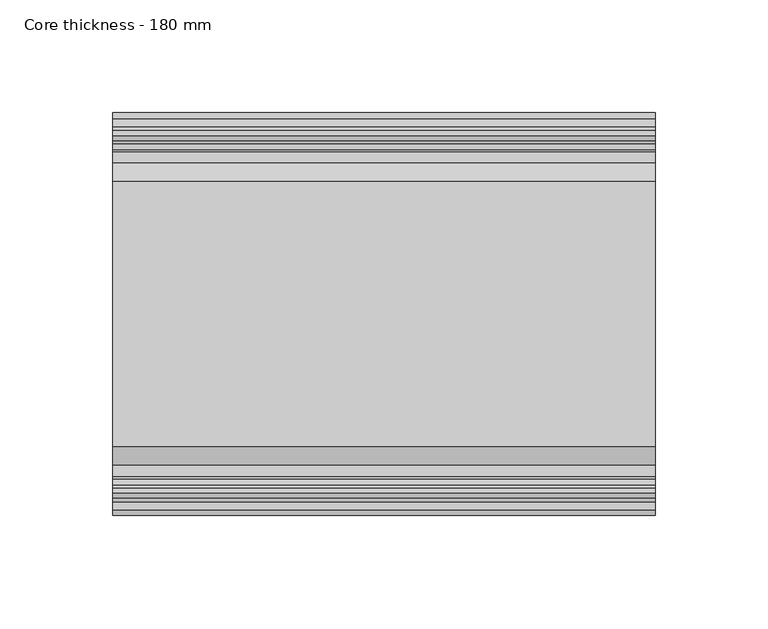
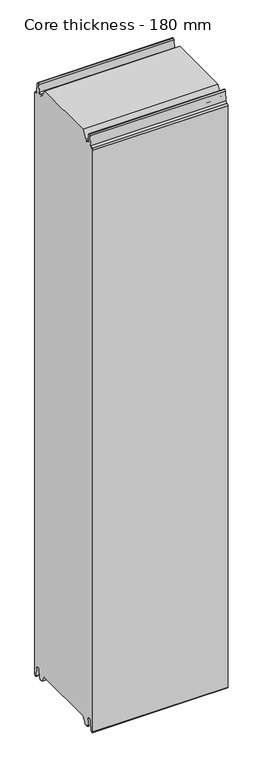
"""IFC4 building model written with IfcOpenShell, lengths in millimetres: plate geometry, Core thickness - 180 mm."""

from ifc_helpers import new_model, si_unit, frame, origin, place, context, project, spatial, polyline, circle_curve, source, transform, mapped, element, save
from ifc_brep_helpers import plane_surface, cylinder_surface, revolved_surface, advanced_brep


def core_thickness_180_mm_c6e34394(model_context):
    return source(origin(), model_context, "Body", "AdvancedBrep", [
        advanced_brep(
        [(119.9999998, -149.873448, 15.0417681), (119.9999998, -30.126552, 15.0417681), (119.9999998, -23.4086055, 3.0684055), (119.9999998, -17.4169005, 3.0684055), (119.9999998, -19.6169005, 5.265779), (119.9999998, -18.8169005, 5.265779), (119.9999998, -16.0235822, 5.1291629), (119.9999998, -14.6379549, 19.2608832), (119.9999998, -10.8223285, 22.6899182), (119.9999998, -7.0067021, 19.2608832), (119.9999998, -5.3893281, 2.7656275), (119.9999998, -0.8003051, 2.9900682), (119.9999998, -0.8, 1093.8000005), (119.9999998, -3.3660185, 1096.1942726), (119.9999998, -6.8790665, 1099.1779769), (119.9999998, -8.5415667, 1116.1334653), (119.9999998, -10.8223285, 1118.1999998), (119.9999998, -13.1030903, 1116.1334653), (119.9999998, -14.4357929, 1102.5415123), (119.9999998, -17.0233841, 1100.1952279), (119.9999998, -18.1003051, 1100.1952279), (119.9999998, -18.7003051, 1099.5952279), (119.9999998, -18.7003051, 1098.4952279), (119.9999998, -19.5003051, 1098.4952279), (119.9999998, -19.5003051, 1099.5952279), (119.9999998, -18.1003051, 1100.9952279), (119.9999998, -19.5003051, 1100.9952279), (119.9999998, -23.1062917, 1100.9952279), (119.9999998, -31.1628062, 1115.044651), (119.9999998, -148.7531937, 1115.044651), (119.9999998, -156.8937083, 1100.9952279), (119.9999998, -160.4996949, 1100.9952279), (119.9999998, -161.8996949, 1100.9952279), (119.9999998, -160.4996949, 1099.5952279), (119.9999998, -160.4996949, 1098.4952279), (119.9999998, -161.2996949, 1098.4952279), (119.9999998, -161.2996949, 1099.5952279), (119.9999998, -161.8996949, 1100.1952279), (119.9999998, -162.9766159, 1100.1952279), (119.9999998, -165.5642071, 1102.5415123), (119.9999998, -166.8969097, 1116.1334653), (119.9999998, -169.1776715, 1118.1999998), (119.9999998, -171.4584333, 1116.1334653), (119.9999998, -173.1209335, 1099.1779769), (119.9999998, -176.6330399, 1096.2078763), (119.9999998, -179.1996949, 1093.8000005), (119.9999998, -179.2, 2.9900682), (119.9999998, -174.6106719, 2.7656275), (119.9999998, -172.9932979, 19.2608832), (119.9999998, -169.1776715, 22.6899182), (119.9999998, -165.3620451, 19.2608832), (119.9999998, -163.9764178, 5.1291629), (119.9999998, -161.1830995, 5.265779), (119.9999998, -160.3830995, 5.265779), (119.9999998, -162.5830995, 3.065779), (119.9999998, -156.5913945, 3.0684055), (-119.9999998, -156.8937083, 1100.9952279), (-119.9999998, -148.7531937, 1115.044651), (-119.9999998, -31.1628062, 1115.044651), (-119.9999998, -23.1062917, 1100.9952279), (-119.9999998, -19.5003051, 1100.9952279), (-119.9999998, -18.1003051, 1100.9952279), (-119.9999998, -19.5003051, 1099.5952279), (-119.9999998, -19.5003051, 1098.4952279), (-119.9999998, -18.7003051, 1098.4952279), (-119.9999998, -18.7003051, 1099.5952279), (-119.9999998, -18.1003051, 1100.1952279), (-119.9999998, -17.0233841, 1100.1952279), (-119.9999998, -14.4357929, 1102.5415123), (-119.9999998, -13.1030903, 1116.1334653), (-119.9999998, -10.8223285, 1118.1999998), (-119.9999998, -8.5415667, 1116.1334653), (-119.9999998, -6.8790665, 1099.1779769), (-119.9999998, -3.3669601, 1096.2078763), (-119.9999998, -0.8003051, 1093.8000005), (-119.9999998, -0.8, 2.9900682), (-119.9999998, -5.3893281, 2.7656275), (-119.9999998, -7.0067021, 19.2608832), (-119.9999998, -10.8223285, 22.6899182), (-119.9999998, -14.6379549, 19.2608832), (-119.9999998, -16.0235822, 5.1291629), (-119.9999998, -18.8169005, 5.265779), (-119.9999998, -19.6169005, 5.265779), (-119.9999998, -17.4169005, 3.065779), (-119.9999998, -23.4086055, 3.0684055), (-119.9999998, -30.126552, 15.0417681), (-119.9999998, -149.873448, 15.0417681), (-119.9999998, -156.5913945, 3.0684055), (-119.9999998, -162.5830995, 3.0684055), (-119.9999998, -160.3830995, 5.265779), (-119.9999998, -161.1830995, 5.265779), (-119.9999998, -163.9764178, 5.1291629), (-119.9999998, -165.3620451, 19.2608832), (-119.9999998, -169.1776715, 22.6899182), (-119.9999998, -172.9932979, 19.2608832), (-119.9999998, -174.6106719, 2.7656275), (-119.9999998, -179.1996949, 2.9900682), (-119.9999998, -179.2, 1093.8000005), (-119.9999998, -176.6339815, 1096.1942726), (-119.9999998, -173.1209335, 1099.1779769), (-119.9999998, -171.4584333, 1116.1334653), (-119.9999998, -169.1776715, 1118.1999998), (-119.9999998, -166.8969097, 1116.1334653), (-119.9999998, -165.5642071, 1102.5415123), (-119.9999998, -162.9766159, 1100.1952279), (-119.9999998, -161.8996949, 1100.1952279), (-119.9999998, -161.2996949, 1099.5952279), (-119.9999998, -161.2996949, 1098.4952279), (-119.9999998, -160.4996949, 1098.4952279), (-119.9999998, -160.4996949, 1099.5952279), (-119.9999998, -161.8996949, 1100.9952279), (-119.9999998, -160.4996949, 1100.9952279)],
        [
            (0, 1),
            (1, 2),
            (2, 3),
            (3, 4, circle_curve(frame((119.9999998, -17.4169005, 5.265779), z_axis=(-1.0, 0.0, 0.0), x_axis=(0.0, 0.0, -1.0)), 2.2)),
            (4, 5),
            (5, 6, circle_curve(frame((119.9999998, -17.4169005, 5.265779), z_axis=(1.0, 0.0, 0.0), x_axis=(0.0, 0.0, -1.0)), 1.4)),
            (6, 7),
            (7, 8, circle_curve(frame((119.9999998, -10.8560907, 18.8900682), z_axis=(-1.0, 0.0, 0.0), x_axis=(0.0, 0.0, -1.0)), 3.8)),
            (8, 9, circle_curve(frame((119.9999998, -10.7885662, 18.8900682), z_axis=(-1.0, 0.0, 0.0), x_axis=(0.0, 0.0, -1.0)), 3.8)),
            (9, 10),
            (10, 11, circle_curve(frame((119.9999998, -3.1003051, 2.9900682), z_axis=(1.0, 0.0, 0.0), x_axis=(0.0, 0.0, -1.0)), 2.3)),
            (11, 12),
            (12, 13, circle_curve(frame((119.9999998, -3.2003051, 1093.8000005), z_axis=(1.0, 0.0, 0.0), x_axis=(0.0, 0.0, -1.0)), 2.4)),
            (13, 14, circle_curve(frame((119.9999998, -3.5948161, 1099.5000005), z_axis=(-1.0, 0.0, 0.0), x_axis=(0.0, 0.0, -1.0)), 3.3)),
            (14, 15),
            (15, 16, circle_curve(frame((119.9999998, -10.8206374, 1115.9100005), z_axis=(1.0, 0.0, 0.0), x_axis=(0.0, 0.0, -1.0)), 2.29)),
            (16, 17, circle_curve(frame((119.9999998, -10.8240195, 1115.9100005), z_axis=(1.0, 0.0, 0.0), x_axis=(0.0, 0.0, -1.0)), 2.29)),
            (17, 18),
            (18, 19, circle_curve(frame((119.9999998, -17.0233841, 1102.7952279), z_axis=(-1.0, 0.0, 0.0), x_axis=(0.0, 0.0, -1.0)), 2.6)),
            (19, 20),
            (20, 21, circle_curve(frame((119.9999998, -18.1003051, 1099.5952279), z_axis=(1.0, 0.0, 0.0), x_axis=(0.0, 0.0, -1.0)), 0.6)),
            (21, 22),
            (22, 23),
            (23, 24),
            (24, 25, circle_curve(frame((119.9999998, -18.1003051, 1099.5952279), z_axis=(-1.0, 0.0, 0.0), x_axis=(0.0, 0.0, -1.0)), 1.4)),
            (25, 26),
            (26, 27),
            (27, 28),
            (28, 29),
            (29, 30),
            (30, 31),
            (31, 32),
            (32, 33, circle_curve(frame((119.9999998, -161.8996949, 1099.5952279), z_axis=(-1.0, 0.0, 0.0), x_axis=(0.0, 0.0, -1.0)), 1.4)),
            (33, 34),
            (34, 35),
            (35, 36),
            (36, 37, circle_curve(frame((119.9999998, -161.8996949, 1099.5952279), z_axis=(1.0, 0.0, 0.0), x_axis=(0.0, 0.0, -1.0)), 0.6)),
            (37, 38),
            (38, 39, circle_curve(frame((119.9999998, -162.9766159, 1102.7952279), z_axis=(-1.0, 0.0, 0.0), x_axis=(0.0, 0.0, -1.0)), 2.6)),
            (39, 40),
            (40, 41, circle_curve(frame((119.9999998, -169.1759805, 1115.9100005), z_axis=(1.0, 0.0, 0.0), x_axis=(0.0, 0.0, -1.0)), 2.29)),
            (41, 42, circle_curve(frame((119.9999998, -169.1793626, 1115.9100005), z_axis=(1.0, 0.0, 0.0), x_axis=(0.0, 0.0, -1.0)), 2.29)),
            (42, 43),
            (43, 44, circle_curve(frame((119.9999998, -176.4051839, 1099.5000005), z_axis=(-1.0, 0.0, 0.0), x_axis=(0.0, 0.0, -1.0)), 3.3)),
            (44, 45, circle_curve(frame((119.9999998, -176.7996949, 1093.8000005), z_axis=(1.0, 0.0, 0.0), x_axis=(0.0, 0.0, -1.0)), 2.4)),
            (45, 46),
            (46, 47, circle_curve(frame((119.9999998, -176.8996949, 2.9900682), z_axis=(1.0, 0.0, 0.0), x_axis=(0.0, 0.0, -1.0)), 2.3)),
            (47, 48),
            (48, 49, circle_curve(frame((119.9999998, -169.2114338, 18.8900682), z_axis=(-1.0, 0.0, 0.0), x_axis=(0.0, 0.0, -1.0)), 3.8)),
            (49, 50, circle_curve(frame((119.9999998, -169.1439093, 18.8900682), z_axis=(-1.0, 0.0, 0.0), x_axis=(0.0, 0.0, -1.0)), 3.8)),
            (50, 51),
            (51, 52, circle_curve(frame((119.9999998, -162.5830995, 5.265779), z_axis=(1.0, 0.0, 0.0), x_axis=(0.0, 0.0, -1.0)), 1.4)),
            (52, 53),
            (53, 54, circle_curve(frame((119.9999998, -162.5830995, 5.265779), z_axis=(-1.0, 0.0, 0.0), x_axis=(0.0, 0.0, -1.0)), 2.2)),
            (54, 55),
            (55, 0),
            (56, 57),
            (57, 58),
            (58, 59),
            (59, 60),
            (60, 61),
            (61, 62, circle_curve(frame((-119.9999998, -18.1003051, 1099.5952279), z_axis=(1.0, 0.0, 0.0), x_axis=(0.0, 0.0, -1.0)), 1.4)),
            (62, 63),
            (63, 64),
            (64, 65),
            (65, 66, circle_curve(frame((-119.9999998, -18.1003051, 1099.5952279), z_axis=(-1.0, 0.0, 0.0), x_axis=(0.0, 0.0, -1.0)), 0.6)),
            (66, 67),
            (67, 68, circle_curve(frame((-119.9999998, -17.0233841, 1102.7952279), z_axis=(1.0, 0.0, 0.0), x_axis=(0.0, 0.0, -1.0)), 2.6)),
            (68, 69),
            (69, 70, circle_curve(frame((-119.9999998, -10.8240195, 1115.9100005), z_axis=(-1.0, 0.0, 0.0), x_axis=(0.0, 0.0, -1.0)), 2.29)),
            (70, 71, circle_curve(frame((-119.9999998, -10.8206374, 1115.9100005), z_axis=(-1.0, 0.0, 0.0), x_axis=(0.0, 0.0, -1.0)), 2.29)),
            (71, 72),
            (72, 73, circle_curve(frame((-119.9999998, -3.5948161, 1099.5000005), z_axis=(1.0, 0.0, 0.0), x_axis=(0.0, 0.0, -1.0)), 3.3)),
            (73, 74, circle_curve(frame((-119.9999998, -3.2003051, 1093.8000005), z_axis=(-1.0, 0.0, 0.0), x_axis=(0.0, 0.0, -1.0)), 2.4)),
            (74, 75),
            (75, 76, circle_curve(frame((-119.9999998, -3.1003051, 2.9900682), z_axis=(-1.0, 0.0, 0.0), x_axis=(0.0, 0.0, -1.0)), 2.3)),
            (76, 77),
            (77, 78, circle_curve(frame((-119.9999998, -10.7885662, 18.8900682), z_axis=(1.0, 0.0, 0.0), x_axis=(0.0, 0.0, -1.0)), 3.8)),
            (78, 79, circle_curve(frame((-119.9999998, -10.8560907, 18.8900682), z_axis=(1.0, 0.0, 0.0), x_axis=(0.0, 0.0, -1.0)), 3.8)),
            (79, 80),
            (80, 81, circle_curve(frame((-119.9999998, -17.4169005, 5.265779), z_axis=(-1.0, 0.0, 0.0), x_axis=(0.0, 0.0, -1.0)), 1.4)),
            (81, 82),
            (82, 83, circle_curve(frame((-119.9999998, -17.4169005, 5.265779), z_axis=(1.0, 0.0, 0.0), x_axis=(0.0, 0.0, -1.0)), 2.2)),
            (83, 84),
            (84, 85),
            (85, 86),
            (86, 87),
            (87, 88),
            (88, 89, circle_curve(frame((-119.9999998, -162.5830995, 5.265779), z_axis=(1.0, 0.0, 0.0), x_axis=(0.0, 0.0, -1.0)), 2.2)),
            (89, 90),
            (90, 91, circle_curve(frame((-119.9999998, -162.5830995, 5.265779), z_axis=(-1.0, 0.0, 0.0), x_axis=(0.0, 0.0, -1.0)), 1.4)),
            (91, 92),
            (92, 93, circle_curve(frame((-119.9999998, -169.1439093, 18.8900682), z_axis=(1.0, 0.0, 0.0), x_axis=(0.0, 0.0, -1.0)), 3.8)),
            (93, 94, circle_curve(frame((-119.9999998, -169.2114338, 18.8900682), z_axis=(1.0, 0.0, 0.0), x_axis=(0.0, 0.0, -1.0)), 3.8)),
            (94, 95),
            (95, 96, circle_curve(frame((-119.9999998, -176.8996949, 2.9900682), z_axis=(-1.0, 0.0, 0.0), x_axis=(0.0, 0.0, -1.0)), 2.3)),
            (96, 97),
            (97, 98, circle_curve(frame((-119.9999998, -176.7996949, 1093.8000005), z_axis=(-1.0, 0.0, 0.0), x_axis=(0.0, 0.0, -1.0)), 2.4)),
            (98, 99, circle_curve(frame((-119.9999998, -176.4051839, 1099.5000005), z_axis=(1.0, 0.0, 0.0), x_axis=(0.0, 0.0, -1.0)), 3.3)),
            (99, 100),
            (100, 101, circle_curve(frame((-119.9999998, -169.1793626, 1115.9100005), z_axis=(-1.0, 0.0, 0.0), x_axis=(0.0, 0.0, -1.0)), 2.29)),
            (101, 102, circle_curve(frame((-119.9999998, -169.1759805, 1115.9100005), z_axis=(-1.0, 0.0, 0.0), x_axis=(0.0, 0.0, -1.0)), 2.29)),
            (102, 103),
            (103, 104, circle_curve(frame((-119.9999998, -162.9766159, 1102.7952279), z_axis=(1.0, 0.0, 0.0), x_axis=(0.0, 0.0, -1.0)), 2.6)),
            (104, 105),
            (105, 106, circle_curve(frame((-119.9999998, -161.8996949, 1099.5952279), z_axis=(-1.0, 0.0, 0.0), x_axis=(0.0, 0.0, -1.0)), 0.6)),
            (106, 107),
            (107, 108),
            (108, 109),
            (109, 110, circle_curve(frame((-119.9999998, -161.8996949, 1099.5952279), z_axis=(1.0, 0.0, 0.0), x_axis=(0.0, 0.0, -1.0)), 1.4)),
            (110, 111),
            (111, 56),
            (30, 56),
            (110, 32),
            (29, 57),
            (28, 58),
            (27, 59),
            (25, 61),
            (1, 85),
            (84, 2),
            (0, 86),
            (55, 87),
            (83, 3),
            (54, 88),
            (109, 33),
            (108, 34),
            (107, 35),
            (106, 36),
            (105, 37),
            (104, 38),
            (103, 39),
            (102, 40),
            (101, 41),
            (100, 42),
            (99, 43),
            (98, 44),
            (97, 45),
            (96, 46),
            (95, 47),
            (94, 48),
            (93, 49),
            (92, 50),
            (91, 51),
            (90, 52),
            (89, 53),
            (74, 12),
            (11, 75),
            (73, 13),
            (72, 14),
            (71, 15),
            (70, 16),
            (69, 17),
            (68, 18),
            (67, 19),
            (66, 20),
            (65, 21),
            (64, 22),
            (63, 23),
            (62, 24),
            (82, 4),
            (81, 5),
            (80, 6),
            (79, 7),
            (78, 8),
            (77, 9),
            (76, 10),
        ],
        [
            plane_surface(frame((119.9999998, 0.0, 0.0), z_axis=(1.0, 0.0, 0.0), x_axis=(0.0, -1.0, 0.0))),
            plane_surface(frame((-119.9999998, 0.0, 0.0), z_axis=(-1.0, 0.0, 0.0), x_axis=(0.0, -1.0, 0.0))),
            plane_surface(frame((119.9999998, -156.8937083, 1100.9952279), z_axis=(0.0, 0.0, 1.0), x_axis=(-1.0, 0.0, 0.0))),
            plane_surface(frame((119.9999998, -148.7531937, 1115.044651), z_axis=(0.0, -0.8652489672717159, 0.5013424225369615), x_axis=(-1.0, 0.0, 0.0))),
            plane_surface(frame((119.9999998, -31.1628062, 1115.044651), z_axis=(0.0, 0.0, 1.0), x_axis=(-1.0, 0.0, 0.0))),
            plane_surface(frame((119.9999998, -23.1062917, 1100.9952279), z_axis=(0.0, 0.8674901459133322, 0.4974543664933155), x_axis=(-1.0, 0.0, 0.0))),
            plane_surface(frame((119.9999998, -17.0229218, 1100.9952279), z_axis=(0.0, 0.0, 1.0), x_axis=(-1.0, 0.0, 0.0))),
            plane_surface(frame((119.9999998, -30.126552, 15.0417681), z_axis=(0.0, -0.8721062992196836, -0.4893164649399687), x_axis=(-1.0, 0.0, 0.0))),
            plane_surface(frame((119.9999998, -149.873448, 15.0417681), z_axis=(0.0, 0.0, -1.0), x_axis=(-1.0, 0.0, 0.0))),
            plane_surface(frame((119.9999998, -156.8190247, 2.6627014), z_axis=(0.0, 0.8721062992196852, -0.48931646493996606), x_axis=(-1.0, 0.0, 0.0))),
            plane_surface(frame((-119.9999998, -162.5830995, 3.0684055), z_axis=(0.0, 0.0, -1.0), x_axis=(1.0, 0.0, 0.0))),
            revolved_surface(polyline([(119.99999980000001, -161.8996949, 1098.1952279), (-119.99999980000001, -161.8996949, 1098.1952279)]), (249.9999998, -161.8996949, 1099.5952279), (1.0, 0.0, 0.0)),
            plane_surface(frame((249.9999998, -160.4996949, 1098.4952279), z_axis=(0.0, -1.0, 0.0), x_axis=(-1.0, 0.0, 0.0))),
            plane_surface(frame((249.9999998, -161.2996949, 1098.4952279), z_axis=(0.0, 0.0, 1.0), x_axis=(-1.0, 0.0, 0.0))),
            plane_surface(frame((249.9999998, -161.2996949, 1099.5952279), z_axis=(0.0, 1.0, 0.0), x_axis=(-1.0, 0.0, 0.0))),
            cylinder_surface(frame((249.9999998, -161.8996949, 1099.5952279), z_axis=(-1.0, 0.0, 0.0), x_axis=(0.0, 0.0, -1.0)), 0.6),
            plane_surface(frame((249.9999998, -162.9766159, 1100.1952279), z_axis=(0.0, 0.0, 1.0), x_axis=(-1.0, 0.0, 0.0))),
            revolved_surface(polyline([(119.99999980000001, -162.9766159, 1100.1952279000002), (-119.99999980000001, -162.9766159, 1100.1952279000002)]), (249.9999998, -162.9766159, 1102.7952279), (1.0, 0.0, 0.0)),
            plane_surface(frame((249.9999998, -166.8969097, 1116.1334653), z_axis=(0.0, 0.9952273999818314, 0.09758289975914705), x_axis=(-1.0, 0.0, 0.0))),
            cylinder_surface(frame((249.9999998, -169.1759805, 1115.9100005), z_axis=(-1.0, 0.0, 0.0), x_axis=(0.0, 0.0, -1.0)), 2.29),
            cylinder_surface(frame((249.9999998, -169.1793626, 1115.9100005), z_axis=(-1.0, 0.0, 0.0), x_axis=(0.0, 0.0, -1.0)), 2.29),
            plane_surface(frame((249.9999998, -173.1209335, 1099.1779769), z_axis=(0.0, -0.9952273999818317, 0.09758289975914436), x_axis=(-1.0, 0.0, 0.0))),
            revolved_surface(polyline([(119.99999980000001, -176.4051839, 1096.2000005), (-119.99999980000001, -176.4051839, 1096.2000005)]), (249.9999998, -176.4051839, 1099.5000005), (1.0, 0.0, 0.0)),
            cylinder_surface(frame((249.9999998, -176.7996949, 1093.8000005), z_axis=(-1.0, 0.0, 0.0), x_axis=(0.0, 0.0, -1.0)), 2.4),
            plane_surface(frame((249.9999998, -179.2, 2.9900682), z_axis=(0.0, -1.0, 0.0), x_axis=(-1.0, 0.0, 0.0))),
            cylinder_surface(frame((249.9999998, -176.8996949, 2.9900682), z_axis=(-1.0, 0.0, 0.0), x_axis=(0.0, 0.0, -1.0)), 2.3),
            plane_surface(frame((249.9999998, -172.9932979, 19.2608832), z_axis=(0.0, 0.9952273999818314, -0.09758289975914787), x_axis=(-1.0, 0.0, 0.0))),
            revolved_surface(polyline([(119.99999980000001, -169.2114338, 15.090068200000001), (-119.99999980000001, -169.2114338, 15.090068200000001)]), (249.9999998, -169.2114338, 18.8900682), (1.0, 0.0, 0.0)),
            revolved_surface(polyline([(119.99999980000001, -169.1439093, 15.090068200000001), (-119.99999980000001, -169.1439093, 15.090068200000001)]), (249.9999998, -169.1439093, 18.8900682), (1.0, 0.0, 0.0)),
            plane_surface(frame((249.9999998, -163.9764178, 5.1291629), z_axis=(0.0, -0.9952273999818297, -0.09758289975916531), x_axis=(-1.0, 0.0, 0.0))),
            cylinder_surface(frame((249.9999998, -162.5830995, 5.265779), z_axis=(-1.0, 0.0, 0.0), x_axis=(0.0, 0.0, -1.0)), 1.4),
            plane_surface(frame((249.9999998, -160.3830995, 5.265779), z_axis=(0.0, 0.0, -1.0), x_axis=(-1.0, 0.0, 0.0))),
            revolved_surface(polyline([(119.99999980000001, -162.5830995, 3.065779), (-119.99999980000001, -162.5830995, 3.065779)]), (249.9999998, -162.5830995, 5.265779), (1.0, 0.0, 0.0)),
            plane_surface(frame((249.9999998, -0.8, 1093.8000005), z_axis=(0.0, 1.0, 0.0), x_axis=(-1.0, 0.0, 0.0))),
            cylinder_surface(frame((249.9999998, -3.2003051, 1093.8000005), z_axis=(-1.0, 0.0, 0.0), x_axis=(0.0, 0.0, -1.0)), 2.4),
            revolved_surface(polyline([(119.99999980000001, -3.5948161, 1096.2000005), (-119.99999980000001, -3.5948161, 1096.2000005)]), (249.9999998, -3.5948161, 1099.5000005), (1.0, 0.0, 0.0)),
            plane_surface(frame((249.9999998, -8.5415667, 1116.1334653), z_axis=(0.0, 0.9952273999818317, 0.09758289975914436), x_axis=(-1.0, 0.0, 0.0))),
            cylinder_surface(frame((249.9999998, -10.8206374, 1115.9100005), z_axis=(-1.0, 0.0, 0.0), x_axis=(0.0, 0.0, -1.0)), 2.29),
            cylinder_surface(frame((249.9999998, -10.8240195, 1115.9100005), z_axis=(-1.0, 0.0, 0.0), x_axis=(0.0, 0.0, -1.0)), 2.29),
            plane_surface(frame((249.9999998, -14.4357929, 1102.5415123), z_axis=(0.0, -0.9952273999818314, 0.09758289975914705), x_axis=(-1.0, 0.0, 0.0))),
            revolved_surface(polyline([(119.99999980000001, -17.0233841, 1100.1952279000002), (-119.99999980000001, -17.0233841, 1100.1952279000002)]), (249.9999998, -17.0233841, 1102.7952279), (1.0, 0.0, 0.0)),
            plane_surface(frame((249.9999998, -18.1003051, 1100.1952279), z_axis=(0.0, 0.0, 1.0), x_axis=(-1.0, 0.0, 0.0))),
            cylinder_surface(frame((249.9999998, -18.1003051, 1099.5952279), z_axis=(-1.0, 0.0, 0.0), x_axis=(0.0, 0.0, -1.0)), 0.6),
            plane_surface(frame((249.9999998, -18.7003051, 1098.4952279), z_axis=(0.0, -1.0, 0.0), x_axis=(-1.0, 0.0, 0.0))),
            plane_surface(frame((249.9999998, -19.5003051, 1098.4952279), z_axis=(0.0, 0.0, 1.0), x_axis=(-1.0, 0.0, 0.0))),
            plane_surface(frame((249.9999998, -19.5003051, 1099.5952279), z_axis=(0.0, 1.0, 0.0), x_axis=(-1.0, 0.0, 0.0))),
            revolved_surface(polyline([(119.99999980000001, -18.1003051, 1098.1952279), (-119.99999980000001, -18.1003051, 1098.1952279)]), (249.9999998, -18.1003051, 1099.5952279), (1.0, 0.0, 0.0)),
            revolved_surface(polyline([(119.99999980000001, -17.4169005, 3.065779), (-119.99999980000001, -17.4169005, 3.065779)]), (249.9999998, -17.4169005, 5.265779), (1.0, 0.0, 0.0)),
            plane_surface(frame((249.9999998, -18.8169005, 5.265779), z_axis=(0.0, 0.0, -1.0), x_axis=(-1.0, 0.0, 0.0))),
            cylinder_surface(frame((249.9999998, -17.4169005, 5.265779), z_axis=(-1.0, 0.0, 0.0), x_axis=(0.0, 0.0, -1.0)), 1.4),
            plane_surface(frame((249.9999998, -14.6379549, 19.2608832), z_axis=(0.0, 0.9952273999818297, -0.09758289975916531), x_axis=(-1.0, 0.0, 0.0))),
            revolved_surface(polyline([(119.99999980000001, -10.8560907, 15.090068200000001), (-119.99999980000001, -10.8560907, 15.090068200000001)]), (249.9999998, -10.8560907, 18.8900682), (1.0, 0.0, 0.0)),
            revolved_surface(polyline([(119.99999980000001, -10.7885662, 15.090068200000001), (-119.99999980000001, -10.7885662, 15.090068200000001)]), (249.9999998, -10.7885662, 18.8900682), (1.0, 0.0, 0.0)),
            plane_surface(frame((249.9999998, -5.3893281, 2.7656275), z_axis=(0.0, -0.9952273999818314, -0.09758289975914787), x_axis=(-1.0, 0.0, 0.0))),
            cylinder_surface(frame((249.9999998, -3.1003051, 2.9900682), z_axis=(-1.0, 0.0, 0.0), x_axis=(0.0, 0.0, -1.0)), 2.3),
        ],
        [
            (0, [[1, 2, 3, 4, 5, 6, 7, 8, 9, 10, 11, 12, 13, 14, 15, 16, 17, 18, 19, 20, 21, 22, 23, 24, 25, 26, 27, 28, 29, 30, 31, 32, 33, 34, 35, 36, 37, 38, 39, 40, 41, 42, 43, 44, 45, 46, 47, 48, 49, 50, 51, 52, 53, 54, 55, 56]]),
            (1, [[57, 58, 59, 60, 61, 62, 63, 64, 65, 66, 67, 68, 69, 70, 71, 72, 73, 74, 75, 76, 77, 78, 79, 80, 81, 82, 83, 84, 85, 86, 87, 88, 89, 90, 91, 92, 93, 94, 95, 96, 97, 98, 99, 100, 101, 102, 103, 104, 105, 106, 107, 108, 109, 110, 111, 112]]),
            (2, [[113, -112, -111, 114, -32, -31]]),
            (3, [[-30, 115, -57, -113]]),
            (4, [[-29, 116, -58, -115]]),
            (5, [[-28, 117, -59, -116]]),
            (6, [[-117, -27, -26, 118, -61, -60]]),
            (7, [[119, -85, 120, -2]]),
            (8, [[-1, 121, -86, -119]]),
            (9, [[-121, -56, 122, -87]]),
            (10, [[-3, -120, -84, 123]]),
            (10, [[-55, 124, -88, -122]]),
            (11, [[125, -33, -114, -110]]),
            (12, [[-125, -109, 126, -34]]),
            (13, [[-126, -108, 127, -35]]),
            (14, [[-127, -107, 128, -36]]),
            (15, [[-128, -106, 129, -37]]),
            (16, [[-129, -105, 130, -38]]),
            (17, [[-130, -104, 131, -39]]),
            (18, [[-131, -103, 132, -40]]),
            (19, [[-132, -102, 133, -41]]),
            (20, [[-133, -101, 134, -42]]),
            (21, [[-134, -100, 135, -43]]),
            (22, [[-135, -99, 136, -44]]),
            (23, [[-136, -98, 137, -45]]),
            (24, [[-137, -97, 138, -46]]),
            (25, [[-138, -96, 139, -47]]),
            (26, [[-139, -95, 140, -48]]),
            (27, [[-140, -94, 141, -49]]),
            (28, [[-141, -93, 142, -50]]),
            (29, [[-142, -92, 143, -51]]),
            (30, [[-143, -91, 144, -52]]),
            (31, [[-144, -90, 145, -53]]),
            (32, [[-145, -89, -124, -54]]),
            (33, [[146, -12, 147, -75]]),
            (34, [[-146, -74, 148, -13]]),
            (35, [[-148, -73, 149, -14]]),
            (36, [[-149, -72, 150, -15]]),
            (37, [[-150, -71, 151, -16]]),
            (38, [[-151, -70, 152, -17]]),
            (39, [[-152, -69, 153, -18]]),
            (40, [[-153, -68, 154, -19]]),
            (41, [[-154, -67, 155, -20]]),
            (42, [[-155, -66, 156, -21]]),
            (43, [[-156, -65, 157, -22]]),
            (44, [[-157, -64, 158, -23]]),
            (45, [[-158, -63, 159, -24]]),
            (46, [[-159, -62, -118, -25]]),
            (47, [[160, -4, -123, -83]]),
            (48, [[-160, -82, 161, -5]]),
            (49, [[-161, -81, 162, -6]]),
            (50, [[-162, -80, 163, -7]]),
            (51, [[-163, -79, 164, -8]]),
            (52, [[-164, -78, 165, -9]]),
            (53, [[-165, -77, 166, -10]]),
            (54, [[-166, -76, -147, -11]]),
        ],
    ),
    ])


if __name__ == "__main__":
    model = new_model("IFC4")
    model_context = context("Model", 3, world=origin())
    ifc_project = project(units=[si_unit("LENGTHUNIT", "METRE", prefix="MILLI")], contexts=[model_context])
    site = spatial("IfcSite", under=ifc_project)
    building = spatial("IfcBuilding", under=site)
    placement = place(None, origin())
    core_thickness_180_mm_shape = core_thickness_180_mm_c6e34394(model_context)
    element("IfcPlate", 1, ObjectType="Core thickness - 180 mm", at=placement, inside=building, context=model_context, shape_type="MappedRepresentation", body=[
        mapped(core_thickness_180_mm_shape, transform((0.0, 0.0, 0.0), x_axis=(1.0, 0.0, 0.0), y_axis=(0.0, 1.0, 0.0), z_axis=(0.0, 0.0, 1.0))),
    ])
    save(model, "model.ifc")
